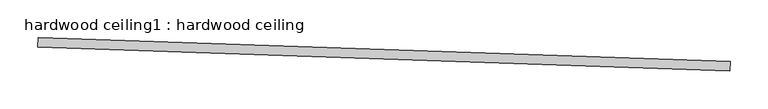
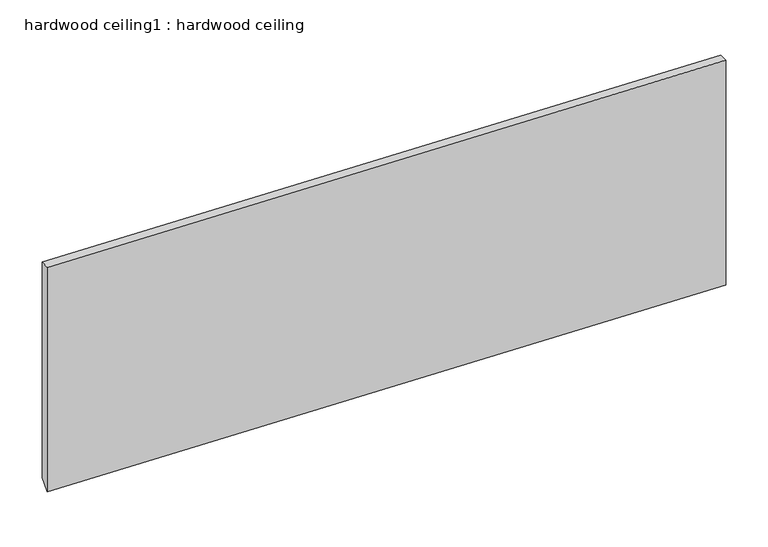
"""IFC4 building model written with IfcOpenShell, lengths in millimetres: proxy geometry, hardwood ceiling1 : hardwood ceiling."""

from ifc_helpers import new_model, si_unit, frame, origin, place, context, project, spatial, polyline, outline, extrude, source, transform, mapped, element, save


def hardwood_ceiling1_hardwood_ceiling_9353d3ba(model_context):
    return source(origin(), model_context, "Body", "SweptSolid", [
        extrude(outline(polyline([(-12.6543378, 0.0), (0.0, 0.0), (0.0, -326.4160757), (-12.6543378, -313.7617379), (-12.6543378, 0.0)])), frame((34291.719399, -17307.1988516, 3298.2469623), z_axis=(-0.9994149479235179, 0.03420178163534811, 0.0), x_axis=(-0.03420178163534811, -0.9994149479235179, 0.0)), (0.0, 0.0, 1.0), 914.4),
    ])


if __name__ == "__main__":
    model = new_model("IFC4")
    model_context = context("Model", 3, world=origin())
    ifc_project = project(units=[si_unit("LENGTHUNIT", "METRE", prefix="MILLI")], contexts=[model_context])
    site = spatial("IfcSite", under=ifc_project)
    building = spatial("IfcBuilding", under=site)
    placement = place(None, origin())
    hardwood_ceiling1_hardwood_ceiling_shape = hardwood_ceiling1_hardwood_ceiling_9353d3ba(model_context)
    element("IfcBuildingElementProxy", 1, Name="hardwood ceiling1 : hardwood ceiling", ObjectType="hardwood ceiling1 : hardwood ceiling", at=placement, inside=building, context=model_context, shape_type="MappedRepresentation", body=[
        mapped(hardwood_ceiling1_hardwood_ceiling_shape, transform((0.0, 0.0, 0.0), x_axis=(1.0, 0.0, 0.0), y_axis=(0.0, 1.0, 0.0), z_axis=(0.0, 0.0, 1.0))),
    ])
    save(model, "model.ifc")
